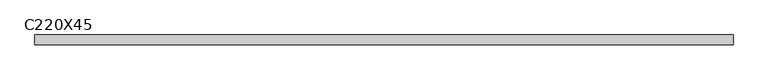
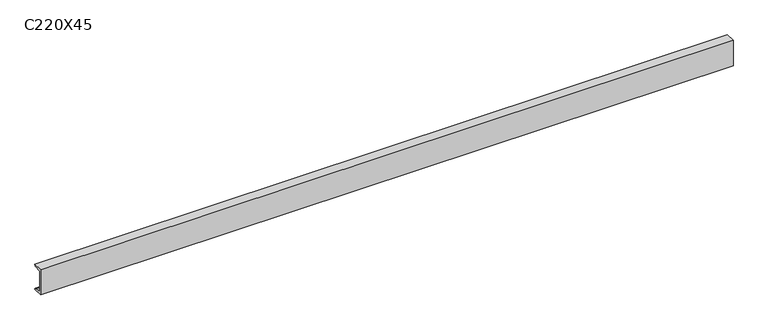
"""IFC4 building model written with IfcOpenShell, lengths in millimetres: beam geometry, C220X45."""

from ifc_helpers import new_model, si_unit, point, frame, frame_2d, origin, place, context, project, spatial, polyline, circle_curve, trimmed, segment, composite_curve, outline, extrude, source, transform, mapped, element, save


def c220x45_50c80bb4(model_context):
    return source(origin(), model_context, "Body", "SweptSolid", [
        extrude(outline(composite_curve([segment(polyline([(-17.0, 110.0), (64.0, 110.0)]), True, "CONTINUOUS"), segment(trimmed(circle_curve(frame_2d((51.0, 110.0)), 13.0), [point((64.0, 110.0))], [point((51.0, 97.0))], False, "CARTESIAN"), True, "CONTINUOUS"), segment(polyline([(51.0, 97.0), (-4.0, 88.2888558), (-4.0, -88.2888558), (51.0, -97.0)]), True, "CONTINUOUS"), segment(trimmed(circle_curve(frame_2d((51.0, -110.0)), 13.0), [point((51.0, -97.0))], [point((64.0, -110.0))], False, "CARTESIAN"), True, "CONTINUOUS"), segment(polyline([(64.0, -110.0), (-17.0, -110.0), (-17.0, 110.0)]), True, "CONTINUOUS")], self_intersect=False)), frame((-2880.5, 0.0, 0.0), z_axis=(1.0, 0.0, 0.0), x_axis=(0.0, 1.0, 0.0)), (0.0, 0.0, 1.0), 5761.0),
    ])


if __name__ == "__main__":
    model = new_model("IFC4")
    model_context = context("Model", 3, world=origin())
    ifc_project = project(units=[si_unit("LENGTHUNIT", "METRE", prefix="MILLI")], contexts=[model_context])
    site = spatial("IfcSite", under=ifc_project)
    building = spatial("IfcBuilding", under=site)
    placement = place(None, origin())
    c220x45_shape = c220x45_50c80bb4(model_context)
    element("IfcBeam", 1, ObjectType="C220X45", at=placement, inside=building, context=model_context, shape_type="MappedRepresentation", body=[
        mapped(c220x45_shape, transform((0.0, 0.0, 0.0), x_axis=(1.0, 0.0, 0.0), y_axis=(0.0, 1.0, 0.0), z_axis=(0.0, 0.0, 1.0))),
    ])
    save(model, "model.ifc")
